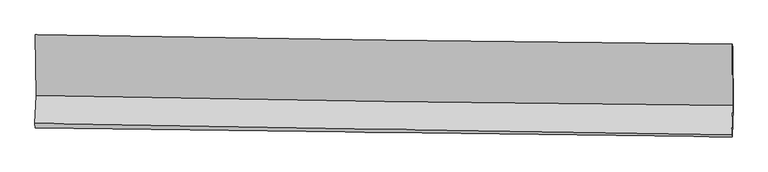
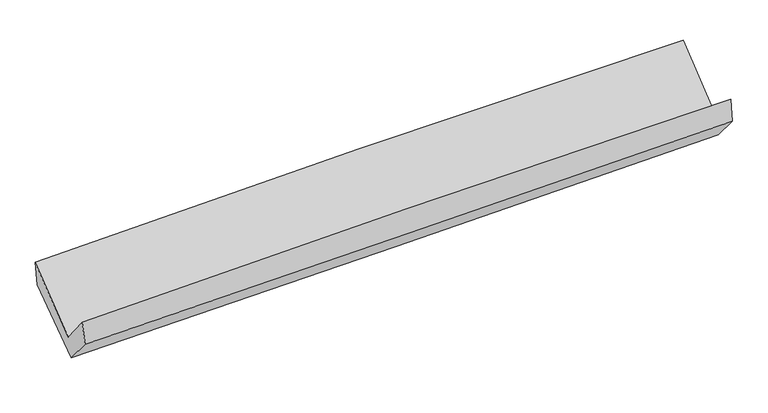
"""IFC4 building model written with IfcOpenShell, lengths in millimetres: proxy geometry."""

from ifc_helpers import new_model, si_unit, frame, origin, place, context, project, spatial, source, transform, mapped, element, save
from ifc_brep_helpers import plane_surface, spline_curve, spline_surface, advanced_brep


def generic_models_c789836c(model_context):
    return source(origin(), model_context, "Body", "AdvancedBrep", [
        advanced_brep(
        [(-3002.1386554, -1161.7126902, 2165.6556212), (-2994.5776726, -1684.5530252, 1742.2403391), (2985.0817398, -1768.6909152, 1881.5226122), (2982.6680011, -1242.017054, 2308.2098383), (-3004.2188093, -1924.5590622, 2043.0056928), (2974.8144685, -2024.2839222, 2201.8208935), (-2999.2450911, -1962.0289807, 1845.3063987), (2979.139469, -2039.7669399, 1993.1486822), (-2990.1239572, -1723.5651567, 1563.7705361), (2988.3326553, -1801.5831117, 1711.9444062), (-2996.9807172, -1189.6653531, 1963.5100154), (2986.6078576, -1272.0083926, 2108.6058732)],
        [
            (0, 1),
            (1, 2, spline_curve(3, [(-2994.5776726, -1684.5530252, 1742.2403391), (-1998.130742318, -1703.91992095, 1782.378644995), (-1001.436173678, -1720.616306649, 1814.055703209), (991.783960238, -1748.658712464, 1860.471855889), (1988.309195606, -1760.008289997, 1875.222221705), (2985.0817398, -1768.6909152, 1881.5226122)], [4, 2, 4], [0.0, 9.82069619608681, 19.634848690420167])),
            (2, 3),
            (3, 0, spline_curve(3, [(2982.6680011, -1242.017054, 2308.2098383), (1985.136136909, -1232.677412835, 2302.417363564), (987.802463548, -1221.318465371, 2287.648559719), (-1007.133352974, -1194.55303812, 2240.142461534), (-2004.735231864, -1179.143864204, 2207.393193098), (-3002.1386554, -1161.7126902, 2165.6556212)], [4, 2, 4], [0.0, 9.814152494333356, 19.634848690420167])),
            (1, 4),
            (4, 5, spline_curve(3, [(-3004.2188093, -1924.5590622, 2043.0056928), (-2007.750899722, -1943.403694548, 2082.48952053), (-1011.09805741, -1961.138815697, 2115.46827772), (981.913281754, -1994.378957368, 2168.398011799), (1978.271531917, -2009.885456283, 2188.357654847), (2974.8144685, -2024.2839222, 2201.8208935)], [4, 2, 4], [0.0, 9.816407808649453, 19.626274772973055])),
            (5, 2),
            (4, 6),
            (6, 7, spline_curve(3, [(-2999.2450911, -1962.0289807, 1845.3063987), (-2002.515334765, -1976.488916304, 1866.181555093), (-1005.785709005, -1990.198956556, 1888.944058589), (987.009144498, -2016.110610672, 1938.227333984), (1983.074371659, -2028.31322353, 1964.745591975), (2979.139469, -2039.7669399, 1993.1486822)], [4, 2, 4], [0.0, 9.815198273626239, 19.62385650886098])),
            (7, 5),
            (6, 8),
            (8, 9, spline_curve(3, [(-2990.1239572, -1723.5651567, 1563.7705361), (-1993.546874018, -1742.405404763, 1589.817452301), (-996.887550745, -1758.328219882, 1615.192624313), (995.931429797, -1784.330318604, 1664.583019361), (1992.090977383, -1794.413488334, 1688.599137373), (2988.3326553, -1801.5831117, 1711.9444062)], [4, 2, 4], [0.0, 9.814248550313073, 19.621957695051915])),
            (9, 7),
            (8, 10),
            (10, 11, spline_curve(3, [(-2996.9807172, -1189.6653531, 1963.5100154), (-1999.4580393, -1205.143831686, 1992.105281503), (-1001.898127801, -1219.746986109, 2018.497531983), (992.631446763, -1247.193499997, 2066.859882907), (1989.601059942, -1260.038025148, 2088.832918781), (2986.6078576, -1272.0083926, 2108.6058732)], [4, 2, 4], [0.0, 9.81852233129017, 19.630502409311045])),
            (11, 9),
            (10, 0),
            (3, 11),
        ],
        [
            spline_surface(3, 3, [[(-3002.1386554, -1161.7126902, 2165.6556212), (-2004.735231848, -1179.143864092, 2207.393192969), (-1007.133352986, -1194.553037957, 2240.142461509), (987.80246356, -1221.318465535, 2287.648559744), (1985.136136866, -1232.677412934, 2302.41736356), (2982.6680011, -1242.017054, 2308.2098383)], [(-2999.618327809, -1335.99280185, 2024.517193825), (-2002.533735375, -1354.069216367, 2065.721676992), (-1005.234293263, -1369.907460854, 2098.11354214), (989.129629114, -1397.098547813, 2145.256325093), (1986.19382316, -1408.45437195, 2160.018982973), (2983.472580662, -1417.575007732, 2165.98076294)], [(-2997.098000191, -1510.27291355, 1883.378766475), (-2000.332238875, -1528.994568691, 1924.050161039), (-1003.335233463, -1545.261883799, 1956.084622724), (990.456794745, -1572.878630139, 2002.864090395), (1987.251509469, -1584.23133097, 2017.620602365), (2984.277160238, -1593.132961468, 2023.75168756)], [(-2994.5776726, -1684.5530252, 1742.2403391), (-1998.130742402, -1703.919920965, 1782.378645063), (-1001.43617374, -1720.616306697, 1814.055703355), (991.783960299, -1748.658712417, 1860.471855744), (1988.309195763, -1760.008289986, 1875.222221777), (2985.0817398, -1768.6909152, 1881.5226122)]], [4, 4], [4, 2, 4], [0.0, 2.2238481551359266], [0.0, 9.82069619608681, 19.634848690420167]),
            spline_surface(3, 3, [[(-2994.5776726, -1684.5530252, 1742.2403391), (-1998.130742402, -1703.919920965, 1782.378645063), (-1001.43617374, -1720.616306697, 1814.055703355), (991.783960299, -1748.658712417, 1860.471855744), (1988.309195763, -1760.008289986, 1875.222221777), (2985.0817398, -1768.6909152, 1881.5226122)], [(-2997.791384819, -1764.555037531, 1842.49545699), (-2001.337461445, -1783.747845468, 1882.415603494), (-1004.656801585, -1800.790476324, 1914.526561444), (988.493734086, -1830.565460783, 1963.11390779), (1984.96330783, -1843.300678783, 1979.600699455), (2981.659316014, -1853.888584198, 1988.288705958)], [(-3001.005097081, -1844.557049869, 1942.75057491), (-2004.544180529, -1863.575769979, 1982.452561955), (-1007.87742945, -1880.964645937, 2014.997419541), (985.203507853, -1912.472209135, 2065.755959843), (1981.617419955, -1926.593067586, 2083.979177157), (2978.236892286, -1939.086253202, 2095.054799742)], [(-3004.2188093, -1924.5590622, 2043.0056928), (-2007.750899572, -1943.403694481, 2082.489520386), (-1011.098057296, -1961.138815564, 2115.46827763), (981.91328164, -1994.378957501, 2168.398011889), (1978.271532023, -2009.885456383, 2188.357654834), (2974.8144685, -2024.2839222, 2201.8208935)]], [4, 4], [4, 2, 4], [0.0, 1.2792105425032705], [0.0, 9.816407808649453, 19.626274772973055]),
            spline_surface(3, 3, [[(-3004.2188093, -1924.5590622, 2043.0056928), (-2007.750899572, -1943.403694481, 2082.489520386), (-1011.098057296, -1961.138815564, 2115.46827763), (981.91328164, -1994.378957501, 2168.398011889), (1978.271532023, -2009.885456383, 2188.357654834), (2974.8144685, -2024.2839222, 2201.8208935)], [(-3002.560903241, -1937.049035032, 1977.105928111), (-2006.005711348, -1954.43210179, 2010.386865347), (-1009.327274479, -1970.825529258, 2039.96020458), (983.611902543, -2001.622841905, 2091.674452579), (1979.8724786, -2016.028045419, 2113.820300507), (2976.256135357, -2029.444928085, 2132.263489727)], [(-3000.902997159, -1949.539007868, 1911.206163389), (-2004.2605231, -1965.460509101, 1938.284210275), (-1007.556491668, -1980.512242887, 1964.452131598), (985.31052344, -2008.866726244, 2014.950893336), (1981.473425106, -2022.170634499, 2039.282946198), (2977.697802143, -2034.605934015, 2062.706085973)], [(-2999.2450911, -1962.0289807, 1845.3063987), (-2002.515334875, -1976.48891641, 1866.181555236), (-1005.785708851, -1990.198956581, 1888.944058548), (987.009144344, -2016.110610647, 1938.227334026), (1983.074371683, -2028.313223535, 1964.74559187), (2979.139469, -2039.7669399, 1993.1486822)]], [4, 4], [4, 2, 4], [0.0, 0.7539806947537757], [0.0, 9.815198273626239, 19.62385650886098]),
            spline_surface(3, 3, [[(-2999.2450911, -1962.0289807, 1845.3063987), (-2002.515334875, -1976.48891641, 1866.181555236), (-1005.785708851, -1990.198956581, 1888.944058548), (987.009144344, -2016.110610647, 1938.227334026), (1983.074371683, -2028.313223535, 1964.74559187), (2979.139469, -2039.7669399, 1993.1486822)], [(-2996.204713144, -1882.541039381, 1751.461111181), (-1999.525847919, -1898.46107926, 1774.060187597), (-1002.819656123, -1912.908711056, 1797.693580463), (989.983239474, -1938.850513237, 1847.012562495), (1986.079906868, -1950.34664514, 1872.696773739), (2982.203864432, -1960.372330499, 1899.413923541)], [(-2993.164335156, -1803.053098019, 1657.615823619), (-1996.53636093, -1820.433242066, 1681.938819916), (-999.853603403, -1835.618465563, 1706.443102351), (992.957334597, -1861.590415858, 1755.797790937), (1989.085442058, -1872.380066746, 1780.647955586), (2985.268259868, -1880.977721101, 1805.679164859)], [(-2990.1239572, -1723.5651567, 1563.7705361), (-1993.546873973, -1742.405404916, 1589.817452278), (-996.887550676, -1758.328220038, 1615.192624267), (995.931429728, -1784.330318448, 1664.583019407), (1992.090977242, -1794.41348835, 1688.599137455), (2988.3326553, -1801.5831117, 1711.9444062)]], [4, 4], [4, 2, 4], [0.0, 1.1771451544040765], [0.0, 9.814248550313073, 19.621957695051915]),
            spline_surface(3, 3, [[(-2990.1239572, -1723.5651567, 1563.7705361), (-1993.546873973, -1742.405404916, 1589.817452278), (-996.887550676, -1758.328220038, 1615.192624267), (995.931429728, -1784.330318448, 1664.583019407), (1992.090977242, -1794.41348835, 1688.599137455), (2988.3326553, -1801.5831117, 1711.9444062)], [(-2992.40954385, -1545.59855549, 1697.017029181), (-1995.517262445, -1563.318213826, 1723.913395373), (-998.557743042, -1578.801142069, 1749.62759348), (994.831435397, -1605.284712262, 1798.675307273), (1991.261004829, -1616.288333999, 1822.010397837), (2987.757722716, -1625.058205359, 1844.164895186)], [(-2994.69513055, -1367.63195431, 1830.263522319), (-1997.487650968, -1384.231022766, 1858.009338523), (-1000.227935408, -1399.274064143, 1884.062562682), (993.731441068, -1426.239106119, 1932.767595128), (1990.431032466, -1438.163179571, 1955.42165826), (2987.182790184, -1448.533298941, 1976.385384214)], [(-2996.9807172, -1189.6653531, 1963.5100154), (-1999.45803944, -1205.143831676, 1992.105281618), (-1001.898127775, -1219.746986174, 2018.497531895), (992.631446738, -1247.193499932, 2066.859882994), (1989.601060052, -1260.03802522, 2088.832918643), (2986.6078576, -1272.0083926, 2108.6058732)]], [4, 4], [4, 2, 4], [0.0, 2.2046435914617533], [0.0, 9.81852233129017, 19.630502409311045]),
            spline_surface(3, 3, [[(-2996.9807172, -1189.6653531, 1963.5100154), (-1999.45803944, -1205.143831676, 1992.105281618), (-1001.898127775, -1219.746986174, 2018.497531895), (992.631446738, -1247.193499932, 2066.859882994), (1989.601060052, -1260.03802522, 2088.832918643), (2986.6078576, -1272.0083926, 2108.6058732)], [(-2998.700029937, -1180.347798815, 2030.891884011), (-2001.21710358, -1196.47717583, 2063.867918746), (-1003.643202831, -1211.34900345, 2092.379175096), (991.021785693, -1238.568488481, 2140.456108574), (1988.112752343, -1250.917821117, 2160.027733628), (2985.294572119, -1262.011279726, 2175.140528247)], [(-3000.419342663, -1171.030244485, 2098.273752589), (-2002.976167709, -1187.810519938, 2135.630555841), (-1005.38827793, -1202.951020681, 2166.260818308), (989.412124605, -1229.943476986, 2214.052334164), (1986.624444576, -1241.797617036, 2231.222548574), (2983.981286581, -1252.014166874, 2241.675183253)], [(-3002.1386554, -1161.7126902, 2165.6556212), (-2004.735231848, -1179.143864092, 2207.393192969), (-1007.133352986, -1194.553037957, 2240.142461509), (987.80246356, -1221.318465535, 2287.648559744), (1985.136136866, -1232.677412934, 2302.41736356), (2982.6680011, -1242.017054, 2308.2098383)]], [4, 4], [4, 2, 4], [0.0, 0.7307832172193142], [0.0, 9.823775062458823, 19.641004371661644]),
            plane_surface(frame((2982.7740319, -1691.3917226, 2034.2087176), z_axis=(0.9996805623580802, -0.012985172576795009, 0.021683139454044407), x_axis=(-0.0026067773005504385, 0.8003740473243587, 0.5994952786150453))),
            plane_surface(frame((-2997.8808171, -1607.6807113, 1887.2481005), z_axis=(-0.9996251765534749, 0.006981936569036124, -0.02647185226198448), x_axis=(0.02526737975000855, -0.13693272749175406, -0.9902580409480339))),
        ],
        [
            (0, [[1, 2, 3, 4]]),
            (1, [[5, 6, 7, -2]]),
            (2, [[8, 9, 10, -6]]),
            (3, [[11, 12, 13, -9]]),
            (4, [[14, 15, 16, -12]]),
            (5, [[17, -4, 18, -15]]),
            (6, [[-16, -18, -3, -7, -10, -13]]),
            (7, [[-17, -14, -11, -8, -5, -1]]),
        ],
    ),
    ])


if __name__ == "__main__":
    model = new_model("IFC4")
    model_context = context("Model", 3, world=origin())
    ifc_project = project(units=[si_unit("LENGTHUNIT", "METRE", prefix="MILLI")], contexts=[model_context])
    site = spatial("IfcSite", under=ifc_project)
    building = spatial("IfcBuilding", under=site)
    placement = place(None, origin())
    generic_models_shape = generic_models_c789836c(model_context)
    element("IfcBuildingElementProxy", 1, Name="Generic Models", at=placement, inside=building, context=model_context, shape_type="MappedRepresentation", body=[
        mapped(generic_models_shape, transform((0.0, 0.0, 0.0), x_axis=(1.0, 0.0, 0.0), y_axis=(0.0, 1.0, 0.0), z_axis=(0.0, 0.0, 1.0))),
    ])
    save(model, "model.ifc")
